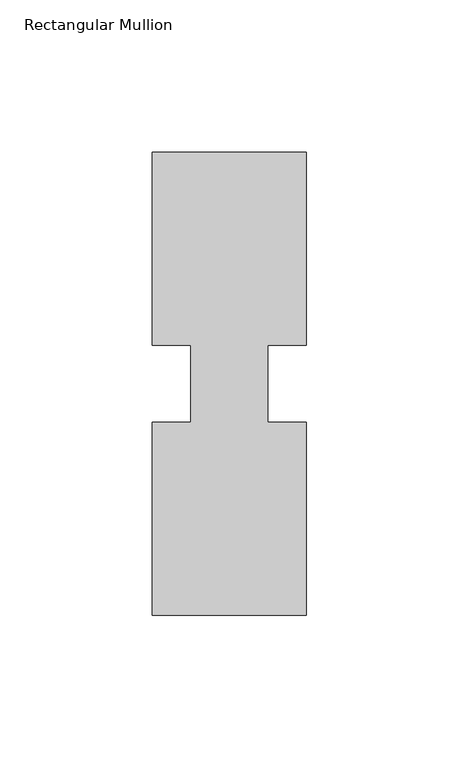
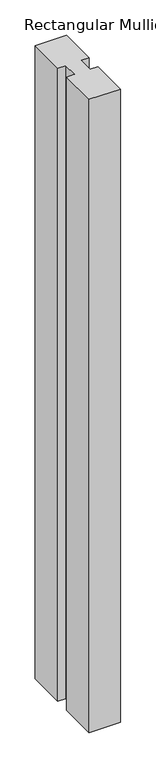
"""IFC4 building model written with IfcOpenShell, lengths in millimetres: member geometry, Rectangular Mullion."""

from ifc_helpers import new_model, si_unit, frame, origin, place, context, project, spatial, polyline, outline, extrude, source, transform, mapped, element, save


def rectangular_mullion_d5163372(model_context):
    return source(origin(), model_context, "Body", "SweptSolid", [
        extrude(outline(polyline([(29.7344027, 76.2), (29.7344027, 12.7), (17.0326322, 12.7), (17.0326322, -12.7), (29.7344027, -12.7), (29.7344027, -76.2), (-21.0655973, -76.2), (-21.0655973, -12.7), (-8.3655973, -12.7), (-8.3655973, 12.7), (-21.0655973, 12.7), (-21.0655973, 76.2), (29.7344027, 76.2)])), frame((0.0, 0.0, -1091.0405973), z_axis=(0.0, 0.0, 1.0), x_axis=(1.0, 0.0, 0.0)), (0.0, 0.0, 1.0), 1091.0405973),
    ])


if __name__ == "__main__":
    model = new_model("IFC4")
    model_context = context("Model", 3, world=origin())
    ifc_project = project(units=[si_unit("LENGTHUNIT", "METRE", prefix="MILLI")], contexts=[model_context])
    site = spatial("IfcSite", under=ifc_project)
    building = spatial("IfcBuilding", under=site)
    placement = place(None, origin())
    rectangular_mullion_shape = rectangular_mullion_d5163372(model_context)
    element("IfcMember", 1, ObjectType="Rectangular Mullion", at=placement, inside=building, context=model_context, shape_type="MappedRepresentation", body=[
        mapped(rectangular_mullion_shape, transform((0.0, 0.0, 0.0), x_axis=(1.0, 0.0, 0.0), y_axis=(0.0, 1.0, 0.0), z_axis=(0.0, 0.0, 1.0))),
    ])
    save(model, "model.ifc")
